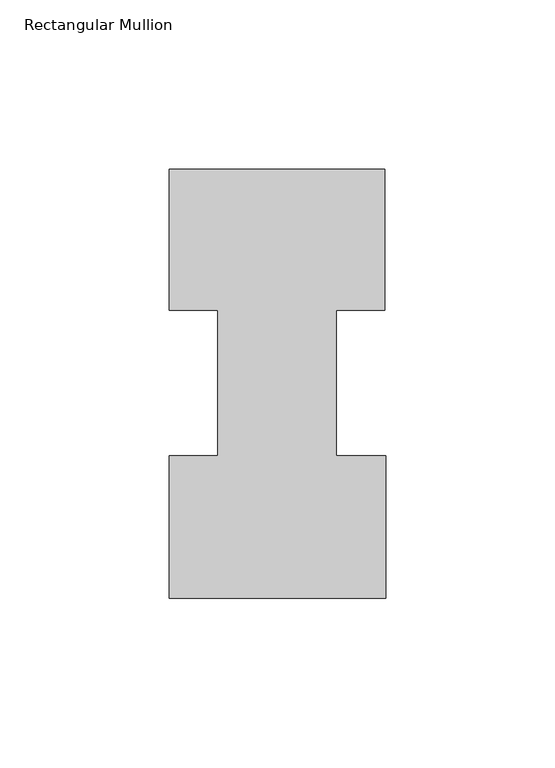
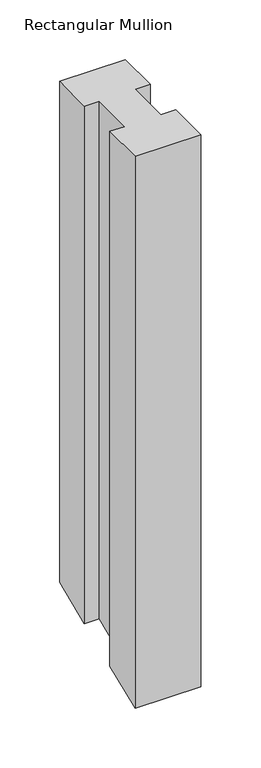
"""IFC4 building model written with IfcOpenShell, lengths in millimetres: member geometry, Rectangular Mullion."""

from ifc_helpers import new_model, si_unit, origin, place, context, project, spatial, faceted_brep, source, transform, mapped, element, save


def rectangular_mullion_5ea00aa7(model_context):
    return source(origin(), model_context, "Body", "Brep", [
        faceted_brep([(-49.21504, 85.1296875, 0.0), (-49.21504, 42.2799164, 0.0), (-63.5, 42.2799164, 0.0), (-63.5, 0.2429164, 0.0), (0.2408142, 0.2429164, 0.0), (0.2408142, 42.2799164, 0.0), (-14.2748, 42.2799164, 0.0), (-14.2748, 85.1296875, 0.0), (0.0, 85.1296875, 0.0), (0.0, 126.7349164, 0.0), (-63.5, 126.7349164, 0.0), (-63.5, 85.1296875, 0.0), (-49.21504, 85.1296875, -529.8881289), (-49.21504, 42.2799164, -547.6370852), (-63.5, 42.2799164, -547.6370852), (-63.5, 0.2429164, -565.0493808), (0.2408142, 0.2429164, -565.0493808), (0.2408142, 42.2799164, -547.6370852), (-14.2748, 42.2799164, -547.6370852), (-14.2748, 85.1296875, -529.8881289), (0.0, 85.1296875, -529.8881289), (0.0, 126.7349164, -512.6546788), (-63.5, 126.7349164, -512.6546788), (-63.5, 85.1296875, -529.8881289)], [[[0, 1, 2, 3, 4, 5, 6, 7, 8, 9, 10, 11]], [[1, 0, 12, 13]], [[2, 1, 13, 14]], [[3, 2, 14, 15]], [[4, 3, 15, 16]], [[5, 4, 16, 17]], [[6, 5, 17, 18]], [[7, 6, 18, 19]], [[8, 7, 19, 20]], [[9, 8, 20, 21]], [[10, 9, 21, 22]], [[11, 10, 22, 23]], [[0, 11, 23, 12]], [[12, 23, 22, 21, 20, 19, 18, 17, 16, 15, 14, 13]]]),
    ])


if __name__ == "__main__":
    model = new_model("IFC4")
    model_context = context("Model", 3, world=origin())
    ifc_project = project(units=[si_unit("LENGTHUNIT", "METRE", prefix="MILLI")], contexts=[model_context])
    site = spatial("IfcSite", under=ifc_project)
    building = spatial("IfcBuilding", under=site)
    placement = place(None, origin())
    rectangular_mullion_shape = rectangular_mullion_5ea00aa7(model_context)
    element("IfcMember", 1, ObjectType="Rectangular Mullion", at=placement, inside=building, context=model_context, shape_type="MappedRepresentation", body=[
        mapped(rectangular_mullion_shape, transform((0.0, 0.0, 0.0), x_axis=(1.0, 0.0, 0.0), y_axis=(0.0, 1.0, 0.0), z_axis=(0.0, 0.0, 1.0))),
    ])
    save(model, "model.ifc")
